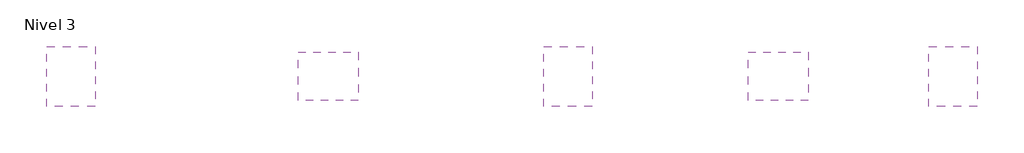
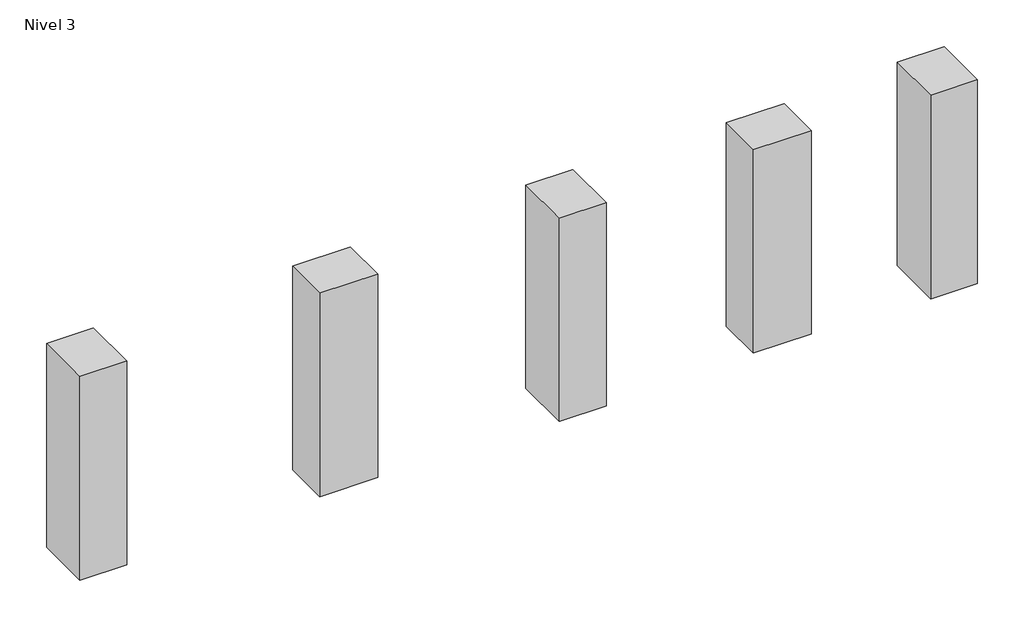
# One storey: 5 proxies.
"""IFC4 building model written with IfcOpenShell, lengths in millimetres."""

from ifc_helpers import new_model, si_unit, frame, origin, place, context, project, spatial, polyline, outline, extrude, element, save

model = new_model("IFC4")

# Units and contexts
model_context = context("Model", 3, world=origin())
ifc_project = project(units=[si_unit("LENGTHUNIT", "METRE", prefix="MILLI")], contexts=[model_context])

# Site, building, storey
site = spatial("IfcSite", under=ifc_project)
building = spatial("IfcBuilding", under=site)
storey = spatial("IfcBuildingStorey", under=building, Name="Nivel 3", Elevation=5900.0)

# Proxies
placement = place(None, origin())
element("IfcBuildingElementProxy", 1, Name="Mass", at=placement, inside=storey, context=model_context, shape_type="SweptSolid", body=[
    extrude(outline(polyline([(-8485.6583375, 714.3774463), (-8485.6583375, -75.6225537), (-9125.6583375, -75.6225537), (-9125.6583375, 714.3774463), (-8485.6583375, 714.3774463)])), frame((0.0, 0.0, 8780.0), z_axis=(0.0, 0.0, 1.0), x_axis=(1.0, 0.0, 0.0)), (0.0, 0.0, 1.0), 2940.0),
])
element("IfcBuildingElementProxy", 2, Name="Mass", at=placement, inside=storey, context=model_context, shape_type="SweptSolid", body=[
    extrude(outline(polyline([(-5811.5775931, 639.3774463), (-5021.5775931, 639.3774463), (-5021.5775931, -0.6225537), (-5811.5775931, -0.6225537), (-5811.5775931, 639.3774463)])), frame((0.0, 0.0, 8780.0), z_axis=(0.0, 0.0, 1.0), x_axis=(1.0, 0.0, 0.0)), (0.0, 0.0, 1.0), 2940.0),
])
element("IfcBuildingElementProxy", 3, Name="Mass", at=placement, inside=storey, context=model_context, shape_type="SweptSolid", body=[
    extrude(outline(polyline([(-2584.4839027, -75.6225537), (-2584.4839027, 714.3774463), (-1944.4839027, 714.3774463), (-1944.4839027, -75.6225537), (-2584.4839027, -75.6225537)])), frame((0.0, 0.0, 8780.0), z_axis=(0.0, 0.0, 1.0), x_axis=(1.0, 0.0, 0.0)), (0.0, 0.0, 1.0), 2940.0),
])
element("IfcBuildingElementProxy", 4, Name="Mass", at=placement, inside=storey, context=model_context, shape_type="SweptSolid", body=[
    extrude(outline(polyline([(899.4646198, -0.6225537), (109.4646198, -0.6225537), (109.4646198, 639.3774463), (899.4646198, 639.3774463), (899.4646198, -0.6225537)])), frame((0.0, 0.0, 8780.0), z_axis=(0.0, 0.0, 1.0), x_axis=(1.0, 0.0, 0.0)), (0.0, 0.0, 1.0), 2940.0),
])
element("IfcBuildingElementProxy", 5, Name="Mass", at=placement, inside=storey, context=model_context, shape_type="SweptSolid", body=[
    extrude(outline(polyline([(3123.2540534, 714.3774463), (3123.2540534, -75.6225537), (2483.2540534, -75.6225537), (2483.2540534, 714.3774463), (3123.2540534, 714.3774463)])), frame((0.0, 0.0, 8780.0), z_axis=(0.0, 0.0, 1.0), x_axis=(1.0, 0.0, 0.0)), (0.0, 0.0, 1.0), 2940.0),
])

save(model, "model.ifc")
